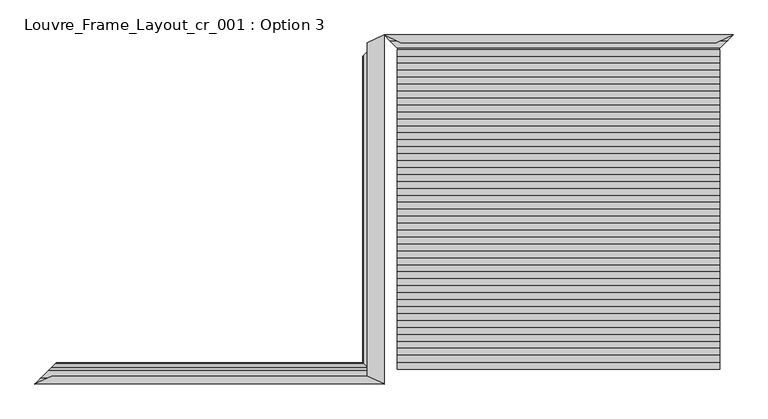
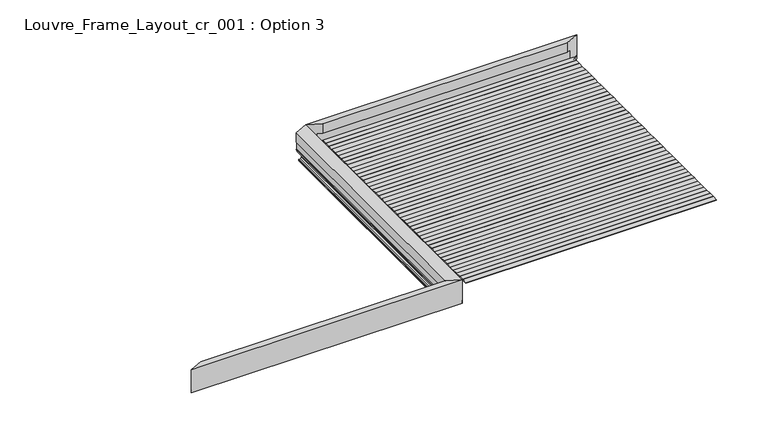
"""IFC4 building model written with IfcOpenShell, lengths in millimetres: proxy geometry, Louvre_Frame_Layout_cr_001 : Option 3."""

from ifc_helpers import new_model, si_unit, frame, origin, place, context, project, spatial, polyline, ellipse_curve, outline, extrude, source, transform, mapped, element, save
from ifc_brep_helpers import plane_surface, cylinder_surface, revolved_surface, advanced_brep


def louvre_frame_layout_cr_001_option_3_17656497(model_context):
    return source(origin(), model_context, "Body", "SolidModel", [
        advanced_brep(
        [(-57.3003291, -1802.6996709, 38.8575344), (0.0, -1860.0, 38.8575344), (0.0, -1860.0, 0.0), (-150.1057157, -1709.8942843, 0.0), (-215.1781305, -1644.8218695, 26.1870213), (-215.1781305, -1644.8218695, 39.3616238), (-214.5111661, -1645.4888339, 40.0285881), (-208.9378388, -1651.0621612, 40.0285881), (-208.2708744, -1651.7291256, 39.3616238), (-208.2708744, -1651.7291256, 25.5580129), (-163.205011, -1696.794989, 7.4266447), (-135.1800041, -1724.8199959, 2.0018958), (-56.9994313, -1803.0005687, 2.0018958), (-51.9945897, -1808.0054103, 7.0067374), (-51.9945897, -1808.0054103, 36.2093165), (-52.5783381, -1807.4216619, 36.793065), (-55.2974109, -1804.7025891, 36.793065), (-3444.7025891, -1804.7025891, 36.793065), (-3447.4216619, -1807.4216619, 36.793065), (-3448.0054103, -1808.0054103, 36.2093165), (-3448.0054103, -1808.0054103, 7.0067374), (-3443.0005687, -1803.0005687, 2.0018958), (-3364.8199959, -1724.8199959, 2.0018958), (-3336.794989, -1696.794989, 7.4266447), (-3291.7291256, -1651.7291256, 25.5580129), (-3291.7291256, -1651.7291256, 39.3616238), (-3291.0621612, -1651.0621612, 40.0285881), (-3285.4888339, -1645.4888339, 40.0285881), (-3284.8218695, -1644.8218695, 39.3616238), (-3284.8218695, -1644.8218695, 26.1870213), (-3349.8942843, -1709.8942843, 0.0), (-3500.0, -1860.0, 0.0), (-3500.0, -1860.0, 38.8575344), (-3442.6996709, -1802.6996709, 38.8575344), (-3330.2950263, -1780.0512704, 316.6276048), (-169.7049737, -1780.0512704, 316.6276048), (-169.7049737, -1780.0512704, 186.7535382), (-3330.2950263, -1780.0512704, 186.7535382), (-110.3674882, -1808.0054103, 186.7535382), (-3389.6325118, -1808.0054103, 186.7535382), (-110.3674882, -1808.0054103, 66.9467725), (-3389.6325118, -1808.0054103, 66.9467725), (-111.6885783, -1807.3830392, 66.3244014), (-3388.3114217, -1807.3830392, 66.3244014), (-117.3778622, -1804.7027935, 66.3244014), (-3382.6221378, -1804.7027935, 66.3244014), (-121.6298357, -1802.6996709, 64.3212787), (-3378.3701643, -1802.6996709, 64.3212787), (-121.6298357, -1802.6996709, 38.7959832), (-3378.3701643, -1802.6996709, 38.7959832), (0.0, -1860.0, 40.0285881), (0.0, -1860.0, 316.6276048), (-3500.0, -1860.0, 316.6276048), (-3500.0, -1860.0, 40.0285881)],
        [
            (0, 1),
            (1, 2),
            (2, 3),
            (3, 4),
            (4, 5),
            (5, 6, ellipse_curve(frame((-214.5111661, -1645.4888339, 39.3616238), z_axis=(0.7071067811864487, 0.7071067811866465, 0.0), x_axis=(0.7071067811866463, -0.7071067811864488, 0.0)), 0.94323, 0.6669644)),
            (6, 7),
            (7, 8, ellipse_curve(frame((-208.9378388, -1651.0621612, 39.3616238), z_axis=(0.7071067811864487, 0.7071067811866465, 0.0), x_axis=(0.7071067811866463, -0.7071067811864488, 0.0)), 0.94323, 0.6669644)),
            (8, 9),
            (9, 10),
            (10, 11, ellipse_curve(frame((-135.1880146, -1724.8119854, 77.0634267), z_axis=(-0.7071067811864487, -0.7071067811866465, 0.0), x_axis=(-0.7071067811866463, 0.7071067811864488, 0.0)), 106.1530357, 75.0615314)),
            (11, 12),
            (12, 13, ellipse_curve(frame((-56.9994313, -1803.0005687, 7.0067374), z_axis=(-0.7071067811864487, -0.7071067811866465, 0.0), x_axis=(-0.7071067811866463, 0.7071067811864488, 0.0)), 7.0779149, 5.0048416)),
            (13, 14),
            (14, 15, ellipse_curve(frame((-52.5783381, -1807.4216619, 36.2093165), z_axis=(-0.7071067811864487, -0.7071067811866465, 0.0), x_axis=(-0.7071067811866463, 0.7071067811864488, 0.0)), 0.825545, 0.5837485)),
            (15, 16),
            (16, 0, ellipse_curve(frame((-55.2974109, -1804.7025891, 38.7959832), z_axis=(0.7071067811864487, 0.7071067811866465, 0.0), x_axis=(0.7071067811866463, -0.7071067811864488, 0.0)), 2.832554, 2.0029182)),
            (17, 18),
            (18, 19, ellipse_curve(frame((-3447.4216619, -1807.4216619, 36.2093165), z_axis=(0.7071067811866565, -0.7071067811864387, 0.0), x_axis=(-0.7071067811864385, -0.7071067811866565, 0.0)), 0.825545, 0.5837485)),
            (19, 20),
            (20, 21, ellipse_curve(frame((-3443.0005687, -1803.0005687, 7.0067374), z_axis=(0.7071067811866565, -0.7071067811864387, 0.0), x_axis=(-0.7071067811864385, -0.7071067811866565, 0.0)), 7.0779149, 5.0048416)),
            (21, 22),
            (22, 23, ellipse_curve(frame((-3364.8119854, -1724.8119854, 77.0634267), z_axis=(0.7071067811866565, -0.7071067811864387, 0.0), x_axis=(-0.7071067811864385, -0.7071067811866565, 0.0)), 106.1530357, 75.0615314)),
            (23, 24),
            (24, 25),
            (25, 26, ellipse_curve(frame((-3291.0621612, -1651.0621612, 39.3616238), z_axis=(-0.7071067811866565, 0.7071067811864387, 0.0), x_axis=(0.7071067811864385, 0.7071067811866565, 0.0)), 0.94323, 0.6669644)),
            (26, 27),
            (27, 28, ellipse_curve(frame((-3285.4888339, -1645.4888339, 39.3616238), z_axis=(-0.7071067811866565, 0.7071067811864387, 0.0), x_axis=(0.7071067811864385, 0.7071067811866565, 0.0)), 0.94323, 0.6669644)),
            (28, 29),
            (29, 30),
            (30, 31),
            (31, 32),
            (32, 33),
            (33, 17, ellipse_curve(frame((-3444.7025891, -1804.7025891, 38.7959832), z_axis=(-0.7071067811866565, 0.7071067811864387, 0.0), x_axis=(0.7071067811864385, 0.7071067811866565, 0.0)), 2.832554, 2.0029182)),
            (34, 35),
            (35, 36),
            (36, 37),
            (37, 34),
            (36, 38),
            (38, 39),
            (39, 37),
            (38, 40),
            (40, 41),
            (41, 39),
            (40, 42, ellipse_curve(frame((-111.6885783, -1807.3830392, 66.9467725), z_axis=(0.42617915109134935, 0.90463878491642, 0.0), x_axis=(-0.9046387849164201, 0.42617915109134935, 0.0)), 1.460351, 0.6223711)),
            (42, 43),
            (43, 41, ellipse_curve(frame((-3388.3114217, -1807.3830392, 66.9467725), z_axis=(-0.42617915109109333, 0.9046387849165407, 0.0), x_axis=(-0.9046387849165406, -0.42617915109109333, 0.0)), 1.460351, 0.6223711)),
            (42, 44),
            (44, 45),
            (45, 43),
            (44, 46, ellipse_curve(frame((-117.3778622, -1804.7027935, 64.3212787), z_axis=(-0.42617915109134935, -0.90463878491642, 0.0), x_axis=(0.9046387849164201, -0.42617915109134935, 0.0)), 4.7001892, 2.0031227)),
            (46, 47),
            (47, 45, ellipse_curve(frame((-3382.6221378, -1804.7027935, 64.3212787), z_axis=(0.42617915109109333, -0.9046387849165407, 0.0), x_axis=(0.9046387849165406, 0.42617915109109333, 0.0)), 4.7001892, 2.0031227)),
            (46, 48),
            (48, 49),
            (49, 47),
            (16, 17),
            (33, 49),
            (48, 0),
            (15, 18),
            (14, 19),
            (13, 20),
            (12, 21),
            (11, 22),
            (10, 23),
            (9, 24),
            (8, 25),
            (7, 26),
            (6, 27),
            (5, 28),
            (4, 29),
            (3, 30),
            (2, 31),
            (1, 50),
            (50, 51),
            (51, 52),
            (52, 53),
            (53, 32),
            (51, 35),
            (34, 52),
            (32, 49),
            (48, 1),
        ],
        [
            plane_surface(frame((0.0, -1860.0, 40.0285881), z_axis=(0.7071067811864487, 0.7071067811866465, 0.0), x_axis=(0.0, 0.0, -1.0))),
            plane_surface(frame((-3241.9060249, -1601.9060249, 40.0285881), z_axis=(-0.7071067811866565, 0.7071067811864387, 0.0), x_axis=(0.0, 0.0, -1.0))),
            plane_surface(frame((0.0, -1780.0512704, 316.6276048), z_axis=(0.0, 1.0, 0.0), x_axis=(-1.0, 0.0, 0.0))),
            plane_surface(frame((0.0, -1780.0512704, 186.7535382), z_axis=(0.0, 0.0, -1.0), x_axis=(-1.0, 0.0, 0.0))),
            plane_surface(frame((0.0, -1808.0054103, 186.7535382), z_axis=(0.0, 1.0, 0.0), x_axis=(-1.0, 0.0, 0.0))),
            revolved_surface(polyline([(-3389.6325118541918, -1806.7606681, 66.9467725), (-110.36748814580852, -1806.7606681, 66.9467725)]), (0.0, -1807.3830392, 66.9467725), (-1.0, 0.0, 0.0)),
            plane_surface(frame((0.0, -1807.3830392, 66.3244014), z_axis=(0.0, 0.0, 1.0), x_axis=(-1.0, 0.0, 0.0))),
            cylinder_surface(frame((0.0, -1804.7027935, 64.3212787), z_axis=(1.0, 0.0, 0.0), x_axis=(0.0, 1.0, 0.0)), 2.0031227),
            plane_surface(frame((0.0, -1802.6996709, 64.3212787), z_axis=(0.0, 1.0, 0.0), x_axis=(-1.0, 0.0, 0.0))),
            cylinder_surface(frame((0.0, -1804.7025891, 38.7959832), z_axis=(1.0, 0.0, 0.0), x_axis=(0.0, 1.0, 0.0)), 2.0029182),
            plane_surface(frame((0.0, -1804.7025891, 36.793065), z_axis=(0.0, 0.0, -1.0), x_axis=(-1.0, 0.0, 0.0))),
            revolved_surface(polyline([(-3448.0054103676744, -1806.8379134, 36.2093165), (-51.99458963232527, -1806.8379134, 36.2093165)]), (0.0, -1807.4216619, 36.2093165), (-1.0, 0.0, 0.0)),
            plane_surface(frame((0.0, -1808.0054103, 36.2093165), z_axis=(0.0, 1.0, 0.0), x_axis=(-1.0, 0.0, 0.0))),
            revolved_surface(polyline([(-3448.00541032245, -1797.9957271, 7.0067374), (-51.99458967754799, -1797.9957271, 7.0067374)]), (0.0, -1803.0005687, 7.0067374), (-1.0, 0.0, 0.0)),
            plane_surface(frame((0.0, -1803.0005687, 2.0018958), z_axis=(0.0, 0.0, 1.0), x_axis=(-1.0, 0.0, 0.0))),
            revolved_surface(polyline([(-3439.8735167869963, -1649.750454, 77.0634267), (-60.12648321298185, -1649.750454, 77.0634267)]), (0.0, -1724.8119854, 77.0634267), (-1.0, 0.0, 0.0)),
            plane_surface(frame((0.0, -1696.794989, 7.4266447), z_axis=(0.0, -0.37325372835204085, 0.9277293001039155), x_axis=(-1.0, 0.0, 0.0))),
            plane_surface(frame((0.0, -1651.7291256, 25.5580129), z_axis=(0.0, -1.0, 0.0), x_axis=(-1.0, 0.0, 0.0))),
            cylinder_surface(frame((0.0, -1651.0621612, 39.3616238), z_axis=(1.0, 0.0, 0.0), x_axis=(0.0, 1.0, 0.0)), 0.6669644),
            plane_surface(frame((0.0, -1651.0621612, 40.0285881), z_axis=(0.0, 0.0, 1.0), x_axis=(-1.0, 0.0, 0.0))),
            cylinder_surface(frame((0.0, -1645.4888339, 39.3616238), z_axis=(1.0, 0.0, 0.0), x_axis=(0.0, -1.0, 0.0)), 0.6669644),
            plane_surface(frame((0.0, -1644.8218695, 39.3616238), z_axis=(0.0, 1.0, 0.0), x_axis=(-1.0, 0.0, 0.0))),
            plane_surface(frame((0.0, -1644.8218695, 26.1870213), z_axis=(0.0, 0.3733323631651337, -0.927697659053604), x_axis=(-1.0, 0.0, 0.0))),
            plane_surface(frame((0.0, -1709.8942843, 0.0), z_axis=(0.0, 0.0, -1.0), x_axis=(-1.0, 0.0, 0.0))),
            plane_surface(frame((0.0, -1860.0, 0.0), z_axis=(0.0, -1.0, 0.0), x_axis=(-1.0, 0.0, 0.0))),
            plane_surface(frame((0.0, -1860.0, 316.6276048), z_axis=(0.0, 0.0, 1.0), x_axis=(-1.0, 0.0, 0.0))),
            plane_surface(frame((-3500.0, -1860.0, 38.8575344), z_axis=(0.0, 0.0, 1.0), x_axis=(0.9046387849165407, 0.42617915109109333, 0.0))),
            plane_surface(frame((-3330.2950263, -1780.0512704, 398.4370867), z_axis=(-0.42617915109109333, 0.9046387849165407, 0.0), x_axis=(0.0, 0.0, -1.0))),
            plane_surface(frame((0.0, -1780.0512704, 38.8575344), z_axis=(0.0, 0.0, 1.0), x_axis=(-1.0, 0.0, 0.0))),
            plane_surface(frame((0.0, -1860.0, 398.4370867), z_axis=(0.42617915109134935, 0.90463878491642, 0.0), x_axis=(0.0, 0.0, -1.0))),
        ],
        [
            (0, [[1, 2, 3, 4, 5, 6, 7, 8, 9, 10, 11, 12, 13, 14, 15, 16, 17]]),
            (1, [[18, 19, 20, 21, 22, 23, 24, 25, 26, 27, 28, 29, 30, 31, 32, 33, 34]]),
            (2, [[35, 36, 37, 38]]),
            (3, [[-37, 39, 40, 41]]),
            (4, [[-40, 42, 43, 44]]),
            (5, [[-43, 45, 46, 47]]),
            (6, [[-46, 48, 49, 50]]),
            (7, [[-49, 51, 52, 53]]),
            (8, [[-52, 54, 55, 56]]),
            (9, [[57, -34, 58, -55, 59, -17]]),
            (10, [[60, -18, -57, -16]]),
            (11, [[61, -19, -60, -15]]),
            (12, [[62, -20, -61, -14]]),
            (13, [[63, -21, -62, -13]]),
            (14, [[64, -22, -63, -12]]),
            (15, [[65, -23, -64, -11]]),
            (16, [[66, -24, -65, -10]]),
            (17, [[67, -25, -66, -9]]),
            (18, [[68, -26, -67, -8]]),
            (19, [[69, -27, -68, -7]]),
            (20, [[70, -28, -69, -6]]),
            (21, [[71, -29, -70, -5]]),
            (22, [[72, -30, -71, -4]]),
            (23, [[-31, -72, -3, 73]]),
            (24, [[-2, 74, 75, 76, 77, 78, -32, -73]]),
            (25, [[79, -35, 80, -76]]),
            (26, [[-58, -33, 81]]),
            (27, [[-78, -77, -80, -38, -41, -44, -47, -50, -53, -56, -81]]),
            (28, [[-1, -59, 82]]),
            (29, [[-54, -51, -48, -45, -42, -39, -36, -79, -75, -74, -82]]),
        ],
    ),
        advanced_brep(
        [(-145.2950918, -1714.7049082, 40.0285881), (-142.500644, -1717.499356, 38.8575344), (-64.3578923, -1795.6421077, 38.8575344), (-62.7201461, -1797.2798539, 37.2197882), (-62.7201461, -1797.2798539, 30.0771301), (-51.9945897, -1808.0054103, 30.0771301), (-51.9945897, -1808.0054103, 7.0067374), (-56.9994313, -1803.0005687, 2.0018958), (-135.1800041, -1724.8199959, 2.0018958), (-163.205011, -1696.794989, 7.4266447), (-208.2708744, -1651.7291256, 25.5580129), (-208.2708744, -1651.7291256, 39.3616238), (-208.9378388, -1651.0621612, 40.0285881), (-214.5111661, -1645.4888339, 40.0285881), (-215.1781305, -1644.8218695, 39.3616238), (-215.1781305, -1644.8218695, 26.5150991), (-214.6113147, -1645.3886853, 25.9589183), (-150.1057157, -1709.8942843, 0.0), (0.0, -1860.0, 0.0), (0.0, -1860.0, 36.793065), (0.0, -1860.0, 40.0285881), (0.0, 1640.0, 40.0285881), (0.0, 1640.0, 36.793065), (0.0, 1640.0, 0.0), (-150.1057157, 1489.9379038, 0.0), (-214.6113147, 1425.4510496, 25.9589183), (-215.1781305, 1424.8843985, 26.5150991), (-215.1781305, 1424.8843985, 39.3616238), (-214.5111661, 1425.5511691, 40.0285881), (-208.9378388, 1431.1228768, 40.0285881), (-208.2708744, 1431.7896474, 39.3616238), (-208.2708744, 1431.7896474, 25.5580129), (-163.205011, 1476.842415, 7.4266447), (-135.1800041, 1504.8592781, 2.0018958), (-56.9994313, 1583.0171323, 2.0018958), (-51.9945897, 1588.0205195, 7.0067374), (-51.9945897, 1588.0205195, 30.0771301), (-62.7201461, 1577.2980799, 30.0771301), (-62.7201461, 1577.2980799, 37.2197882), (-64.3578923, 1575.6608096, 38.8575344), (-142.500644, 1497.5407655, 38.8575344), (-145.2950918, 1494.7471297, 40.0285881), (-145.2950918, -1791.5508688, 40.0285881), (-145.2950918, 1571.5508688, 40.0285881), (0.0, 1640.0, 315.1230176), (-169.7049737, 1560.0512704, 315.1230176), (-169.7049737, -1780.0512704, 315.1230176), (0.0, -1860.0, 315.1230176), (-147.9326449, -1790.3083064, 42.7736155), (-147.9326449, 1570.3083064, 42.7736155), (-169.6981451, -1780.0544873, 79.2796958), (-169.6981451, 1560.0544873, 79.2796958), (-169.6981451, -1780.0544873, 88.3970766), (-169.6981451, 1560.0544873, 88.3970766), (-163.2806322, -1783.0778048, 88.3970766), (-163.2806322, 1563.0778048, 88.3970766), (-163.2806322, -1783.0778048, 186.2985422), (-163.2806322, 1563.0778048, 186.2985422), (-169.7049737, -1780.0512704, 186.2985422), (-169.7049737, 1560.0512704, 186.2985422)],
        [
            (0, 1, ellipse_curve(frame((-140.6934069, -1719.3065931, 47.0897633), z_axis=(-0.7071067811865105, -0.7071067811865845, 0.0), x_axis=(0.7071067811865845, -0.7071067811865106, 0.0)), 11.9193707, 8.4282679)),
            (1, 2),
            (2, 3, ellipse_curve(frame((-64.3578923, -1795.6421077, 37.2197882), z_axis=(0.7071067811865105, 0.7071067811865845, 0.0), x_axis=(-0.7071067811865845, 0.7071067811865106, 0.0)), 2.3161229, 1.6377462)),
            (3, 4),
            (4, 5),
            (5, 6),
            (6, 7, ellipse_curve(frame((-56.9994313, -1803.0005687, 7.0067374), z_axis=(0.7071067811865105, 0.7071067811865845, 0.0), x_axis=(-0.7071067811865845, 0.7071067811865106, 0.0)), 7.0779149, 5.0048416)),
            (7, 8),
            (8, 9, ellipse_curve(frame((-135.1880146, -1724.8119854, 77.0634267), z_axis=(0.7071067811865105, 0.7071067811865845, 0.0), x_axis=(-0.7071067811865845, 0.7071067811865106, 0.0)), 106.1530357, 75.0615314)),
            (9, 10),
            (10, 11),
            (11, 12, ellipse_curve(frame((-208.9378388, -1651.0621612, 39.3616238), z_axis=(-0.7071067811865105, -0.7071067811865845, 0.0), x_axis=(0.7071067811865845, -0.7071067811865106, 0.0)), 0.94323, 0.6669644)),
            (12, 13),
            (13, 14, ellipse_curve(frame((-214.5111661, -1645.4888339, 39.3616238), z_axis=(-0.7071067811865105, -0.7071067811865845, 0.0), x_axis=(0.7071067811865845, -0.7071067811865106, 0.0)), 0.94323, 0.6669644)),
            (14, 15),
            (15, 16, ellipse_curve(frame((-214.2245487, -1645.7754513, 26.9199973), z_axis=(-0.7071067811865105, -0.7071067811865845, 0.0), x_axis=(0.7071067811865845, -0.7071067811865106, 0.0)), 1.4651013, 1.035983)),
            (16, 17),
            (17, 18),
            (18, 19),
            (19, 20),
            (20, 0),
            (21, 22),
            (22, 23),
            (23, 24),
            (24, 25),
            (25, 26, ellipse_curve(frame((-214.2245487, 1425.8377032, 26.9199973), z_axis=(-0.707004019078356, 0.7072095283627419, 0.0), x_axis=(-0.7072095283627419, -0.7070040190783559, 0.0)), 1.4648884, 1.035983)),
            (26, 27),
            (27, 28, ellipse_curve(frame((-214.5111661, 1425.5511691, 39.3616238), z_axis=(-0.707004019078356, 0.7072095283627419, 0.0), x_axis=(-0.7072095283627419, -0.7070040190783559, 0.0)), 0.943093, 0.6669644)),
            (28, 29),
            (29, 30, ellipse_curve(frame((-208.9378388, 1431.1228768, 39.3616238), z_axis=(-0.707004019078356, 0.7072095283627419, 0.0), x_axis=(-0.7072095283627419, -0.7070040190783559, 0.0)), 0.943093, 0.6669644)),
            (30, 31),
            (31, 32),
            (32, 33, ellipse_curve(frame((-135.1880146, 1504.85127, 77.0634267), z_axis=(0.707004019078356, -0.7072095283627419, 0.0), x_axis=(0.7072095283627419, 0.7070040190783559, 0.0)), 106.1376132, 75.0615314)),
            (33, 34),
            (34, 35, ellipse_curve(frame((-56.9994313, 1583.0171323, 7.0067374), z_axis=(0.707004019078356, -0.7072095283627419, 0.0), x_axis=(0.7072095283627419, 0.7070040190783559, 0.0)), 7.0768866, 5.0048416)),
            (35, 36),
            (36, 37),
            (37, 38),
            (38, 39, ellipse_curve(frame((-64.3578923, 1575.6608096, 37.2197882), z_axis=(0.707004019078356, -0.7072095283627419, 0.0), x_axis=(0.7072095283627419, 0.7070040190783559, 0.0)), 2.3157864, 1.6377462)),
            (39, 40),
            (40, 41, ellipse_curve(frame((-140.6934069, 1499.3474774, 47.0897633), z_axis=(-0.707004019078356, 0.7072095283627419, 0.0), x_axis=(-0.7072095283627419, -0.7070040190783559, 0.0)), 11.917639, 8.4282679)),
            (41, 21),
            (20, 42),
            (42, 0),
            (41, 43),
            (43, 21),
            (44, 45),
            (45, 46),
            (46, 47),
            (47, 44),
            (47, 20),
            (18, 23),
            (21, 44),
            (17, 24),
            (16, 25),
            (15, 26),
            (14, 27),
            (13, 28),
            (12, 29),
            (11, 30),
            (10, 31),
            (9, 32),
            (8, 33),
            (7, 34),
            (6, 35),
            (5, 36),
            (4, 37),
            (3, 38),
            (2, 39),
            (1, 40),
            (42, 48, ellipse_curve(frame((-140.6934069, -1793.718742, 47.0897633), z_axis=(0.42617915109134047, 0.9046387849164242, 0.0), x_axis=(0.9046387849164244, -0.4261791510913402, 0.0)), 9.3167218, 8.4282679)),
            (48, 49),
            (49, 43, ellipse_curve(frame((-140.6934069, 1573.718742, 47.0897633), z_axis=(0.4261791510912675, -0.9046387849164587, 0.0), x_axis=(-0.9046387849164589, -0.4261791510912672, 0.0)), 9.3167218, 8.4282679)),
            (50, 51),
            (51, 49),
            (48, 50),
            (52, 53),
            (53, 51),
            (50, 52),
            (54, 55),
            (55, 53),
            (52, 54),
            (56, 57),
            (57, 55),
            (54, 56),
            (58, 59),
            (59, 57),
            (56, 58),
            (45, 59),
            (58, 46),
        ],
        [
            plane_surface(frame((-215.1781305, -1644.8218695, 40.0285881), z_axis=(-0.7071067811865105, -0.7071067811865845, 0.0), x_axis=(0.0, 0.0, -1.0))),
            plane_surface(frame((0.0, 1640.0, 40.0285881), z_axis=(-0.707004019078356, 0.7072095283627419, 0.0), x_axis=(0.0, 0.0, -1.0))),
            plane_surface(frame((0.0, -1860.0, 40.0285881), z_axis=(0.0, 0.0, -1.0), x_axis=(0.7071067811865845, -0.7071067811865105, 0.0))),
            plane_surface(frame((-258.0939751, 1381.9810249, 40.0285881), z_axis=(0.0, 0.0, -1.0), x_axis=(0.0, 1.0, 0.0))),
            plane_surface(frame((-169.7049737, -1860.0, 315.1230176), z_axis=(0.0, 0.0, 1.0), x_axis=(0.0, 1.0, 0.0))),
            plane_surface(frame((0.0, -1860.0, 315.1230176), z_axis=(1.0, 0.0, 0.0), x_axis=(0.0, 1.0, 0.0))),
            plane_surface(frame((0.0, -1860.0, 0.0), z_axis=(0.0, 0.0, -1.0), x_axis=(0.0, 1.0, 0.0))),
            plane_surface(frame((-150.1057157, -1860.0, 0.0), z_axis=(-0.3733323631651337, 0.0, -0.9276976590536039), x_axis=(0.0, 1.0, 0.0))),
            cylinder_surface(frame((-214.2245487, -1860.0, 26.9199973), z_axis=(0.0, -1.0, 0.0), x_axis=(-1.0, 0.0, 0.0)), 1.035983),
            plane_surface(frame((-215.1781305, -1860.0, 26.5150991), z_axis=(-1.0, 0.0, 0.0), x_axis=(0.0, 1.0, 0.0))),
            cylinder_surface(frame((-214.5111661, -1860.0, 39.3616238), z_axis=(0.0, -1.0, 0.0), x_axis=(1.0, 0.0, 0.0)), 0.6669644),
            plane_surface(frame((-214.5111661, -1860.0, 40.0285881), z_axis=(0.0, 0.0, 1.0), x_axis=(0.0, 1.0, 0.0))),
            cylinder_surface(frame((-208.9378388, -1860.0, 39.3616238), z_axis=(0.0, -1.0, 0.0), x_axis=(-1.0, 0.0, 0.0)), 0.6669644),
            plane_surface(frame((-208.2708744, -1860.0, 39.3616238), z_axis=(1.0, 0.0, 0.0), x_axis=(0.0, 1.0, 0.0))),
            plane_surface(frame((-208.2708744, -1860.0, 25.5580129), z_axis=(0.37325372835204107, 0.0, 0.9277293001039154), x_axis=(0.0, 1.0, 0.0))),
            revolved_surface(polyline([(-210.249546, 1579.8909891077842, 77.0634267), (-210.249546, -1799.8735167870036, 77.0634267)]), (-135.1880146, -1860.0, 77.0634267), (0.0, 1.0, 0.0)),
            plane_surface(frame((-135.1800041, -1860.0, 2.0018958), z_axis=(0.0, 0.0, 1.0), x_axis=(0.0, 1.0, 0.0))),
            revolved_surface(polyline([(-62.0042729, 1588.0205195687618, 7.0067374), (-62.0042729, -1808.005410322451, 7.0067374)]), (-56.9994313, -1860.0, 7.0067374), (0.0, 1.0, 0.0)),
            plane_surface(frame((-51.9945897, -1860.0, 7.0067374), z_axis=(-1.0, 0.0, 0.0), x_axis=(0.0, 1.0, 0.0))),
            plane_surface(frame((-51.9945897, -1860.0, 30.0771301), z_axis=(0.0, 0.0, -1.0), x_axis=(0.0, 1.0, 0.0))),
            plane_surface(frame((-62.7201461, -1860.0, 30.0771301), z_axis=(-1.0, 0.0, 0.0), x_axis=(0.0, 1.0, 0.0))),
            revolved_surface(polyline([(-65.9956385, 1577.2980798999997, 37.2197882), (-65.9956385, -1797.2798539086514, 37.2197882)]), (-64.3578923, -1860.0, 37.2197882), (0.0, 1.0, 0.0)),
            plane_surface(frame((-64.3578923, -1860.0, 38.8575344), z_axis=(0.0, 0.0, -1.0), x_axis=(0.0, 1.0, 0.0))),
            cylinder_surface(frame((-140.6934069, -1860.0, 47.0897633), z_axis=(0.0, -1.0, 0.0), x_axis=(-1.0, 0.0, 0.0)), 8.4282679),
            plane_surface(frame((-147.9326449, -1860.0, 42.7736155), z_axis=(-0.8589235852565517, 0.0, -0.5121037733604697), x_axis=(0.0, 1.0, 0.0))),
            plane_surface(frame((-169.6981451, -1860.0, 79.2796958), z_axis=(-1.0, 0.0, 0.0), x_axis=(0.0, 1.0, 0.0))),
            plane_surface(frame((-169.6981451, -1860.0, 88.3970766), z_axis=(0.0, 0.0, 1.0), x_axis=(0.0, 1.0, 0.0))),
            plane_surface(frame((-163.2806322, -1860.0, 88.3970766), z_axis=(-1.0, 0.0, 0.0), x_axis=(0.0, 1.0, 0.0))),
            plane_surface(frame((-163.2806322, -1860.0, 186.2985422), z_axis=(0.0, 0.0, -1.0), x_axis=(0.0, 1.0, 0.0))),
            plane_surface(frame((-169.7049737, -1860.0, 186.2985422), z_axis=(-1.0, 0.0, 0.0), x_axis=(0.0, 1.0, 0.0))),
            plane_surface(frame((-169.7049737, -1780.0512704, 355.5911694), z_axis=(-0.42617915109134047, -0.9046387849164242, 0.0), x_axis=(0.0, 0.0, -1.0))),
            plane_surface(frame((0.0, 1640.0, 355.5911694), z_axis=(-0.4261791510912675, 0.9046387849164587, 0.0), x_axis=(0.0, 0.0, -1.0))),
        ],
        [
            (0, [[1, 2, 3, 4, 5, 6, 7, 8, 9, 10, 11, 12, 13, 14, 15, 16, 17, 18, 19, 20, 21]]),
            (1, [[22, 23, 24, 25, 26, 27, 28, 29, 30, 31, 32, 33, 34, 35, 36, 37, 38, 39, 40, 41, 42]]),
            (2, [[43, 44, -21]]),
            (3, [[45, 46, -42]]),
            (4, [[47, 48, 49, 50]]),
            (5, [[51, -20, -19, 52, -23, -22, 53, -50]]),
            (6, [[-18, 54, -24, -52]]),
            (7, [[55, -25, -54, -17]]),
            (8, [[56, -26, -55, -16]]),
            (9, [[57, -27, -56, -15]]),
            (10, [[58, -28, -57, -14]]),
            (11, [[59, -29, -58, -13]]),
            (12, [[60, -30, -59, -12]]),
            (13, [[61, -31, -60, -11]]),
            (14, [[62, -32, -61, -10]]),
            (15, [[63, -33, -62, -9]]),
            (16, [[64, -34, -63, -8]]),
            (17, [[65, -35, -64, -7]]),
            (18, [[66, -36, -65, -6]]),
            (19, [[67, -37, -66, -5]]),
            (20, [[68, -38, -67, -4]]),
            (21, [[69, -39, -68, -3]]),
            (22, [[70, -40, -69, -2]]),
            (23, [[-44, 71, 72, 73, -45, -41, -70, -1]]),
            (24, [[74, 75, -72, 76]]),
            (25, [[77, 78, -74, 79]]),
            (26, [[80, 81, -77, 82]]),
            (27, [[83, 84, -80, 85]]),
            (28, [[86, 87, -83, 88]]),
            (29, [[-48, 89, -86, 90]]),
            (30, [[-90, -88, -85, -82, -79, -76, -71, -43, -51, -49]]),
            (31, [[-53, -46, -73, -75, -78, -81, -84, -87, -89, -47]]),
        ],
    ),
        extrude(outline(polyline([(3368.0, -1573.3111111), (3368.0, -1643.3111111), (132.0, -1643.3111111), (132.0, -1573.3111111), (3368.0, -1573.3111111)])), frame((0.0, 0.0, 136.6041163), z_axis=(0.0, 0.0, 1.0), x_axis=(1.0, 0.0, 0.0)), (0.0, 0.0, 1.0), 10.0),
        extrude(outline(polyline([(3368.0, -1503.6222222), (3368.0, -1573.6222222), (132.0, -1573.6222222), (132.0, -1503.6222222), (3368.0, -1503.6222222)])), frame((0.0, 0.0, 136.6041163), z_axis=(0.0, 0.0, 1.0), x_axis=(1.0, 0.0, 0.0)), (0.0, 0.0, 1.0), 10.0),
        extrude(outline(polyline([(3368.0, -1433.9333333), (3368.0, -1503.9333333), (132.0, -1503.9333333), (132.0, -1433.9333333), (3368.0, -1433.9333333)])), frame((0.0, 0.0, 136.6041163), z_axis=(0.0, 0.0, 1.0), x_axis=(1.0, 0.0, 0.0)), (0.0, 0.0, 1.0), 10.0),
        extrude(outline(polyline([(3368.0, -1364.2444444), (3368.0, -1434.2444444), (132.0, -1434.2444444), (132.0, -1364.2444444), (3368.0, -1364.2444444)])), frame((0.0, 0.0, 136.6041163), z_axis=(0.0, 0.0, 1.0), x_axis=(1.0, 0.0, 0.0)), (0.0, 0.0, 1.0), 10.0),
        extrude(outline(polyline([(3368.0, -1294.5555556), (3368.0, -1364.5555556), (132.0, -1364.5555556), (132.0, -1294.5555556), (3368.0, -1294.5555556)])), frame((0.0, 0.0, 136.6041163), z_axis=(0.0, 0.0, 1.0), x_axis=(1.0, 0.0, 0.0)), (0.0, 0.0, 1.0), 10.0),
        extrude(outline(polyline([(3368.0, -1224.8666667), (3368.0, -1294.8666667), (132.0, -1294.8666667), (132.0, -1224.8666667), (3368.0, -1224.8666667)])), frame((0.0, 0.0, 136.6041163), z_axis=(0.0, 0.0, 1.0), x_axis=(1.0, 0.0, 0.0)), (0.0, 0.0, 1.0), 10.0),
        extrude(outline(polyline([(3368.0, -1155.1777778), (3368.0, -1225.1777778), (132.0, -1225.1777778), (132.0, -1155.1777778), (3368.0, -1155.1777778)])), frame((0.0, 0.0, 136.6041163), z_axis=(0.0, 0.0, 1.0), x_axis=(1.0, 0.0, 0.0)), (0.0, 0.0, 1.0), 10.0),
        extrude(outline(polyline([(3368.0, -1085.4888889), (3368.0, -1155.4888889), (132.0, -1155.4888889), (132.0, -1085.4888889), (3368.0, -1085.4888889)])), frame((0.0, 0.0, 136.6041163), z_axis=(0.0, 0.0, 1.0), x_axis=(1.0, 0.0, 0.0)), (0.0, 0.0, 1.0), 10.0),
        extrude(outline(polyline([(3368.0, -1015.8), (3368.0, -1085.8), (132.0, -1085.8), (132.0, -1015.8), (3368.0, -1015.8)])), frame((0.0, 0.0, 136.6041163), z_axis=(0.0, 0.0, 1.0), x_axis=(1.0, 0.0, 0.0)), (0.0, 0.0, 1.0), 10.0),
        extrude(outline(polyline([(3368.0, -946.1111111), (3368.0, -1016.1111111), (132.0, -1016.1111111), (132.0, -946.1111111), (3368.0, -946.1111111)])), frame((0.0, 0.0, 136.6041163), z_axis=(0.0, 0.0, 1.0), x_axis=(1.0, 0.0, 0.0)), (0.0, 0.0, 1.0), 10.0),
        extrude(outline(polyline([(3368.0, -876.4222222), (3368.0, -946.4222222), (132.0, -946.4222222), (132.0, -876.4222222), (3368.0, -876.4222222)])), frame((0.0, 0.0, 136.6041163), z_axis=(0.0, 0.0, 1.0), x_axis=(1.0, 0.0, 0.0)), (0.0, 0.0, 1.0), 10.0),
        extrude(outline(polyline([(3368.0, -806.7333333), (3368.0, -876.7333333), (132.0, -876.7333333), (132.0, -806.7333333), (3368.0, -806.7333333)])), frame((0.0, 0.0, 136.6041163), z_axis=(0.0, 0.0, 1.0), x_axis=(1.0, 0.0, 0.0)), (0.0, 0.0, 1.0), 10.0),
        extrude(outline(polyline([(3368.0, -737.0444444), (3368.0, -807.0444444), (132.0, -807.0444444), (132.0, -737.0444444), (3368.0, -737.0444444)])), frame((0.0, 0.0, 136.6041163), z_axis=(0.0, 0.0, 1.0), x_axis=(1.0, 0.0, 0.0)), (0.0, 0.0, 1.0), 10.0),
        extrude(outline(polyline([(3368.0, -667.3555556), (3368.0, -737.3555556), (132.0, -737.3555556), (132.0, -667.3555556), (3368.0, -667.3555556)])), frame((0.0, 0.0, 136.6041163), z_axis=(0.0, 0.0, 1.0), x_axis=(1.0, 0.0, 0.0)), (0.0, 0.0, 1.0), 10.0),
        extrude(outline(polyline([(3368.0, -597.6666667), (3368.0, -667.6666667), (132.0, -667.6666667), (132.0, -597.6666667), (3368.0, -597.6666667)])), frame((0.0, 0.0, 136.6041163), z_axis=(0.0, 0.0, 1.0), x_axis=(1.0, 0.0, 0.0)), (0.0, 0.0, 1.0), 10.0),
        extrude(outline(polyline([(3368.0, -527.9777778), (3368.0, -597.9777778), (132.0, -597.9777778), (132.0, -527.9777778), (3368.0, -527.9777778)])), frame((0.0, 0.0, 136.6041163), z_axis=(0.0, 0.0, 1.0), x_axis=(1.0, 0.0, 0.0)), (0.0, 0.0, 1.0), 10.0),
        extrude(outline(polyline([(3368.0, -458.2888889), (3368.0, -528.2888889), (132.0, -528.2888889), (132.0, -458.2888889), (3368.0, -458.2888889)])), frame((0.0, 0.0, 136.6041163), z_axis=(0.0, 0.0, 1.0), x_axis=(1.0, 0.0, 0.0)), (0.0, 0.0, 1.0), 10.0),
        extrude(outline(polyline([(3368.0, -388.6), (3368.0, -458.6), (132.0, -458.6), (132.0, -388.6), (3368.0, -388.6)])), frame((0.0, 0.0, 136.6041163), z_axis=(0.0, 0.0, 1.0), x_axis=(1.0, 0.0, 0.0)), (0.0, 0.0, 1.0), 10.0),
        extrude(outline(polyline([(3368.0, -318.9111111), (3368.0, -388.9111111), (132.0, -388.9111111), (132.0, -318.9111111), (3368.0, -318.9111111)])), frame((0.0, 0.0, 136.6041163), z_axis=(0.0, 0.0, 1.0), x_axis=(1.0, 0.0, 0.0)), (0.0, 0.0, 1.0), 10.0),
        extrude(outline(polyline([(3368.0, -249.2222222), (3368.0, -319.2222222), (132.0, -319.2222222), (132.0, -249.2222222), (3368.0, -249.2222222)])), frame((0.0, 0.0, 136.6041163), z_axis=(0.0, 0.0, 1.0), x_axis=(1.0, 0.0, 0.0)), (0.0, 0.0, 1.0), 10.0),
        extrude(outline(polyline([(3368.0, -179.5333333), (3368.0, -249.5333333), (132.0, -249.5333333), (132.0, -179.5333333), (3368.0, -179.5333333)])), frame((0.0, 0.0, 136.6041163), z_axis=(0.0, 0.0, 1.0), x_axis=(1.0, 0.0, 0.0)), (0.0, 0.0, 1.0), 10.0),
        extrude(outline(polyline([(3368.0, -109.8444444), (3368.0, -179.8444444), (132.0, -179.8444444), (132.0, -109.8444444), (3368.0, -109.8444444)])), frame((0.0, 0.0, 136.6041163), z_axis=(0.0, 0.0, 1.0), x_axis=(1.0, 0.0, 0.0)), (0.0, 0.0, 1.0), 10.0),
        extrude(outline(polyline([(3368.0, -40.1555556), (3368.0, -110.1555556), (132.0, -110.1555556), (132.0, -40.1555556), (3368.0, -40.1555556)])), frame((0.0, 0.0, 136.6041163), z_axis=(0.0, 0.0, 1.0), x_axis=(1.0, 0.0, 0.0)), (0.0, 0.0, 1.0), 10.0),
        extrude(outline(polyline([(3368.0, 29.5333333), (3368.0, -40.4666667), (132.0, -40.4666667), (132.0, 29.5333333), (3368.0, 29.5333333)])), frame((0.0, 0.0, 136.6041163), z_axis=(0.0, 0.0, 1.0), x_axis=(1.0, 0.0, 0.0)), (0.0, 0.0, 1.0), 10.0),
        extrude(outline(polyline([(3368.0, 99.2222222), (3368.0, 29.2222222), (132.0, 29.2222222), (132.0, 99.2222222), (3368.0, 99.2222222)])), frame((0.0, 0.0, 136.6041163), z_axis=(0.0, 0.0, 1.0), x_axis=(1.0, 0.0, 0.0)), (0.0, 0.0, 1.0), 10.0),
        extrude(outline(polyline([(3368.0, 168.9111111), (3368.0, 98.9111111), (132.0, 98.9111111), (132.0, 168.9111111), (3368.0, 168.9111111)])), frame((0.0, 0.0, 136.6041163), z_axis=(0.0, 0.0, 1.0), x_axis=(1.0, 0.0, 0.0)), (0.0, 0.0, 1.0), 10.0),
        extrude(outline(polyline([(3368.0, 238.6), (3368.0, 168.6), (132.0, 168.6), (132.0, 238.6), (3368.0, 238.6)])), frame((0.0, 0.0, 136.6041163), z_axis=(0.0, 0.0, 1.0), x_axis=(1.0, 0.0, 0.0)), (0.0, 0.0, 1.0), 10.0),
        extrude(outline(polyline([(3368.0, 308.2888889), (3368.0, 238.2888889), (132.0, 238.2888889), (132.0, 308.2888889), (3368.0, 308.2888889)])), frame((0.0, 0.0, 136.6041163), z_axis=(0.0, 0.0, 1.0), x_axis=(1.0, 0.0, 0.0)), (0.0, 0.0, 1.0), 10.0),
        extrude(outline(polyline([(3368.0, 377.9777778), (3368.0, 307.9777778), (132.0, 307.9777778), (132.0, 377.9777778), (3368.0, 377.9777778)])), frame((0.0, 0.0, 136.6041163), z_axis=(0.0, 0.0, 1.0), x_axis=(1.0, 0.0, 0.0)), (0.0, 0.0, 1.0), 10.0),
        extrude(outline(polyline([(3368.0, 447.6666667), (3368.0, 377.6666667), (132.0, 377.6666667), (132.0, 447.6666667), (3368.0, 447.6666667)])), frame((0.0, 0.0, 136.6041163), z_axis=(0.0, 0.0, 1.0), x_axis=(1.0, 0.0, 0.0)), (0.0, 0.0, 1.0), 10.0),
        extrude(outline(polyline([(3368.0, 517.3555556), (3368.0, 447.3555556), (132.0, 447.3555556), (132.0, 517.3555556), (3368.0, 517.3555556)])), frame((0.0, 0.0, 136.6041163), z_axis=(0.0, 0.0, 1.0), x_axis=(1.0, 0.0, 0.0)), (0.0, 0.0, 1.0), 10.0),
        extrude(outline(polyline([(3368.0, 587.0444444), (3368.0, 517.0444444), (132.0, 517.0444444), (132.0, 587.0444444), (3368.0, 587.0444444)])), frame((0.0, 0.0, 136.6041163), z_axis=(0.0, 0.0, 1.0), x_axis=(1.0, 0.0, 0.0)), (0.0, 0.0, 1.0), 10.0),
        extrude(outline(polyline([(3368.0, 656.7333333), (3368.0, 586.7333333), (132.0, 586.7333333), (132.0, 656.7333333), (3368.0, 656.7333333)])), frame((0.0, 0.0, 136.6041163), z_axis=(0.0, 0.0, 1.0), x_axis=(1.0, 0.0, 0.0)), (0.0, 0.0, 1.0), 10.0),
        extrude(outline(polyline([(3368.0, 726.4222222), (3368.0, 656.4222222), (132.0, 656.4222222), (132.0, 726.4222222), (3368.0, 726.4222222)])), frame((0.0, 0.0, 136.6041163), z_axis=(0.0, 0.0, 1.0), x_axis=(1.0, 0.0, 0.0)), (0.0, 0.0, 1.0), 10.0),
        extrude(outline(polyline([(3368.0, 796.1111111), (3368.0, 726.1111111), (132.0, 726.1111111), (132.0, 796.1111111), (3368.0, 796.1111111)])), frame((0.0, 0.0, 136.6041163), z_axis=(0.0, 0.0, 1.0), x_axis=(1.0, 0.0, 0.0)), (0.0, 0.0, 1.0), 10.0),
        extrude(outline(polyline([(3368.0, 865.8), (3368.0, 795.8), (132.0, 795.8), (132.0, 865.8), (3368.0, 865.8)])), frame((0.0, 0.0, 136.6041163), z_axis=(0.0, 0.0, 1.0), x_axis=(1.0, 0.0, 0.0)), (0.0, 0.0, 1.0), 10.0),
        extrude(outline(polyline([(3368.0, 935.4888889), (3368.0, 865.4888889), (132.0, 865.4888889), (132.0, 935.4888889), (3368.0, 935.4888889)])), frame((0.0, 0.0, 136.6041163), z_axis=(0.0, 0.0, 1.0), x_axis=(1.0, 0.0, 0.0)), (0.0, 0.0, 1.0), 10.0),
        extrude(outline(polyline([(3368.0, 1005.1777778), (3368.0, 935.1777778), (132.0, 935.1777778), (132.0, 1005.1777778), (3368.0, 1005.1777778)])), frame((0.0, 0.0, 136.6041163), z_axis=(0.0, 0.0, 1.0), x_axis=(1.0, 0.0, 0.0)), (0.0, 0.0, 1.0), 10.0),
        extrude(outline(polyline([(3368.0, 1074.8666667), (3368.0, 1004.8666667), (132.0, 1004.8666667), (132.0, 1074.8666667), (3368.0, 1074.8666667)])), frame((0.0, 0.0, 136.6041163), z_axis=(0.0, 0.0, 1.0), x_axis=(1.0, 0.0, 0.0)), (0.0, 0.0, 1.0), 10.0),
        extrude(outline(polyline([(3368.0, 1144.5555556), (3368.0, 1074.5555556), (132.0, 1074.5555556), (132.0, 1144.5555556), (3368.0, 1144.5555556)])), frame((0.0, 0.0, 136.6041163), z_axis=(0.0, 0.0, 1.0), x_axis=(1.0, 0.0, 0.0)), (0.0, 0.0, 1.0), 10.0),
        extrude(outline(polyline([(3368.0, 1214.2444444), (3368.0, 1144.2444444), (132.0, 1144.2444444), (132.0, 1214.2444444), (3368.0, 1214.2444444)])), frame((0.0, 0.0, 136.6041163), z_axis=(0.0, 0.0, 1.0), x_axis=(1.0, 0.0, 0.0)), (0.0, 0.0, 1.0), 10.0),
        extrude(outline(polyline([(3368.0, 1283.9333333), (3368.0, 1213.9333333), (132.0, 1213.9333333), (132.0, 1283.9333333), (3368.0, 1283.9333333)])), frame((0.0, 0.0, 136.6041163), z_axis=(0.0, 0.0, 1.0), x_axis=(1.0, 0.0, 0.0)), (0.0, 0.0, 1.0), 10.0),
        extrude(outline(polyline([(3368.0, 1353.6222222), (3368.0, 1283.6222222), (132.0, 1283.6222222), (132.0, 1353.6222222), (3368.0, 1353.6222222)])), frame((0.0, 0.0, 136.6041163), z_axis=(0.0, 0.0, 1.0), x_axis=(1.0, 0.0, 0.0)), (0.0, 0.0, 1.0), 10.0),
        extrude(outline(polyline([(3368.0, 1423.3111111), (3368.0, 1353.3111111), (132.0, 1353.3111111), (132.0, 1423.3111111), (3368.0, 1423.3111111)])), frame((0.0, 0.0, 136.6041163), z_axis=(0.0, 0.0, 1.0), x_axis=(1.0, 0.0, 0.0)), (0.0, 0.0, 1.0), 10.0),
        extrude(outline(polyline([(3368.0, -1643.0), (3368.0, -1713.0), (132.0, -1713.0), (132.0, -1643.0), (3368.0, -1643.0)])), frame((0.0, 0.0, 136.6041163), z_axis=(0.0, 0.0, 1.0), x_axis=(1.0, 0.0, 0.0)), (0.0, 0.0, 1.0), 10.0),
        extrude(outline(polyline([(3368.0, 1493.0), (3368.0, 1423.0), (132.0, 1423.0), (132.0, 1493.0), (3368.0, 1493.0)])), frame((0.0, 0.0, 136.6041163), z_axis=(0.0, 0.0, 1.0), x_axis=(1.0, 0.0, 0.0)), (0.0, 0.0, 1.0), 10.0),
        advanced_brep(
        [(3349.8942843, 1489.8942843, 0.0), (3500.0, 1640.0, 0.0), (3500.0, 1640.0, 38.8575344), (3442.7006169, 1582.7006169, 38.8575344), (3444.7025891, 1584.7025891, 36.793065), (3447.4216619, 1587.4216619, 36.793065), (3448.0054103, 1588.0054103, 36.2093165), (3448.0054103, 1588.0054103, 7.0067374), (3443.0005687, 1583.0005687, 2.0018958), (3364.8199959, 1504.8199959, 2.0018958), (3336.794989, 1476.794989, 7.4266447), (3291.7291256, 1431.7291256, 25.5580129), (3291.7291256, 1431.7291256, 39.3616238), (3291.0621612, 1431.0621612, 40.0285881), (3285.4888339, 1425.4888339, 40.0285881), (3284.8218695, 1424.8218695, 39.3616238), (3284.8218695, 1424.8218695, 26.1870213), (0.0, 1640.0, 0.0), (150.1057157, 1489.8942843, 0.0), (215.1781305, 1424.8218695, 26.1870213), (215.1781305, 1424.8218695, 39.3616238), (214.5111661, 1425.4888339, 40.0285881), (208.9378388, 1431.0621612, 40.0285881), (208.2708744, 1431.7291256, 39.3616238), (208.2708744, 1431.7291256, 25.5580129), (163.205011, 1476.794989, 7.4266447), (135.1800041, 1504.8199959, 2.0018958), (56.9994313, 1583.0005687, 2.0018958), (51.9945897, 1588.0054103, 7.0067374), (51.9945897, 1588.0054103, 36.2093165), (52.5783381, 1587.4216619, 36.793065), (55.2974109, 1584.7025891, 36.793065), (57.3003291, 1582.6996709, 38.7959832), (0.0, 1640.0, 38.8575344), (3378.3701643, 1582.6996709, 38.8575344), (3500.0, 1640.0, 40.0285881), (3500.0, 1640.0, 316.6276048), (3330.2950263, 1560.0512704, 316.6276048), (3330.2950263, 1560.0512704, 186.7535382), (3389.6325118, 1588.0054103, 186.7535382), (3389.6325118, 1588.0054103, 66.9467725), (3388.3114217, 1587.3830392, 66.3244014), (3382.6221378, 1584.7027935, 66.3244014), (3378.3701643, 1582.6996709, 64.3212787), (0.0, 1640.0, 316.6276048), (169.7049737, 1560.0512704, 316.6276048), (0.0, 1640.0, 40.0285881), (121.6298357, 1582.6996709, 38.7959832), (121.6298357, 1582.6996709, 64.3212787), (117.3778622, 1584.7027935, 66.3244014), (111.6885783, 1587.3830392, 66.3244014), (110.3674882, 1588.0054103, 66.9467725), (110.3674882, 1588.0054103, 186.7535382), (169.7049737, 1560.0512704, 186.7535382)],
        [
            (0, 1),
            (1, 2),
            (2, 3),
            (3, 4, ellipse_curve(frame((3444.7025891, 1584.7025891, 38.7959832), z_axis=(0.7071067811865641, -0.7071067811865309, 0.0), x_axis=(-0.7071067811865309, -0.7071067811865641, 0.0)), 2.832554, 2.0029182)),
            (4, 5),
            (5, 6, ellipse_curve(frame((3447.4216619, 1587.4216619, 36.2093165), z_axis=(-0.7071067811865641, 0.7071067811865309, 0.0), x_axis=(0.7071067811865309, 0.7071067811865641, 0.0)), 0.825545, 0.5837485)),
            (6, 7),
            (7, 8, ellipse_curve(frame((3443.0005687, 1583.0005687, 7.0067374), z_axis=(-0.7071067811865641, 0.7071067811865309, 0.0), x_axis=(0.7071067811865309, 0.7071067811865641, 0.0)), 7.0779149, 5.0048416)),
            (8, 9),
            (9, 10, ellipse_curve(frame((3364.8119854, 1504.8119854, 77.0634267), z_axis=(-0.7071067811865641, 0.7071067811865309, 0.0), x_axis=(0.7071067811865309, 0.7071067811865641, 0.0)), 106.1530357, 75.0615314)),
            (10, 11),
            (11, 12),
            (12, 13, ellipse_curve(frame((3291.0621612, 1431.0621612, 39.3616238), z_axis=(0.7071067811865641, -0.7071067811865309, 0.0), x_axis=(-0.7071067811865309, -0.7071067811865641, 0.0)), 0.94323, 0.6669644)),
            (13, 14),
            (14, 15, ellipse_curve(frame((3285.4888339, 1425.4888339, 39.3616238), z_axis=(0.7071067811865641, -0.7071067811865309, 0.0), x_axis=(-0.7071067811865309, -0.7071067811865641, 0.0)), 0.94323, 0.6669644)),
            (15, 16),
            (16, 0),
            (17, 18),
            (18, 19),
            (19, 20),
            (20, 21, ellipse_curve(frame((214.5111661, 1425.4888339, 39.3616238), z_axis=(-0.7071067811865376, -0.7071067811865575, 0.0), x_axis=(-0.7071067811865575, 0.7071067811865375, 0.0)), 0.94323, 0.6669644)),
            (21, 22),
            (22, 23, ellipse_curve(frame((208.9378388, 1431.0621612, 39.3616238), z_axis=(-0.7071067811865376, -0.7071067811865575, 0.0), x_axis=(-0.7071067811865575, 0.7071067811865375, 0.0)), 0.94323, 0.6669644)),
            (23, 24),
            (24, 25),
            (25, 26, ellipse_curve(frame((135.1880146, 1504.8119854, 77.0634267), z_axis=(0.7071067811865376, 0.7071067811865575, 0.0), x_axis=(0.7071067811865575, -0.7071067811865375, 0.0)), 106.1530357, 75.0615314)),
            (26, 27),
            (27, 28, ellipse_curve(frame((56.9994313, 1583.0005687, 7.0067374), z_axis=(0.7071067811865376, 0.7071067811865575, 0.0), x_axis=(0.7071067811865575, -0.7071067811865375, 0.0)), 7.0779149, 5.0048416)),
            (28, 29),
            (29, 30, ellipse_curve(frame((52.5783381, 1587.4216619, 36.2093165), z_axis=(0.7071067811865376, 0.7071067811865575, 0.0), x_axis=(0.7071067811865575, -0.7071067811865375, 0.0)), 0.825545, 0.5837485)),
            (30, 31),
            (31, 32, ellipse_curve(frame((55.2974109, 1584.7025891, 38.7959832), z_axis=(-0.7071067811865376, -0.7071067811865575, 0.0), x_axis=(-0.7071067811865575, 0.7071067811865375, 0.0)), 2.832554, 2.0029182)),
            (32, 33),
            (33, 17),
            (2, 34),
            (34, 3),
            (2, 35),
            (35, 36),
            (36, 37),
            (37, 38),
            (38, 39),
            (39, 40),
            (40, 41, ellipse_curve(frame((3388.3114217, 1587.3830392, 66.9467725), z_axis=(-0.4261791510910818, 0.9046387849165461, 0.0), x_axis=(0.9046387849165461, 0.4261791510910819, 0.0)), 1.460351, 0.6223711)),
            (41, 42),
            (42, 43, ellipse_curve(frame((3382.6221378, 1584.7027935, 64.3212787), z_axis=(0.4261791510910818, -0.9046387849165461, 0.0), x_axis=(-0.9046387849165461, -0.4261791510910819, 0.0)), 4.7001892, 2.0031227)),
            (43, 34),
            (36, 44),
            (44, 45),
            (45, 37),
            (1, 17),
            (33, 46),
            (46, 44),
            (0, 18),
            (16, 19),
            (15, 20),
            (14, 21),
            (13, 22),
            (12, 23),
            (11, 24),
            (10, 25),
            (9, 26),
            (8, 27),
            (7, 28),
            (6, 29),
            (5, 30),
            (4, 31),
            (34, 47),
            (47, 32),
            (43, 48),
            (48, 47),
            (42, 49),
            (49, 48, ellipse_curve(frame((117.3778622, 1584.7027935, 64.3212787), z_axis=(0.42617915109128374, 0.9046387849164509, 0.0), x_axis=(-0.9046387849164509, 0.4261791510912837, 0.0)), 4.7001892, 2.0031227)),
            (41, 50),
            (50, 49),
            (40, 51),
            (51, 50, ellipse_curve(frame((111.6885783, 1587.3830392, 66.9467725), z_axis=(-0.42617915109128374, -0.9046387849164509, 0.0), x_axis=(0.9046387849164509, -0.4261791510912837, 0.0)), 1.460351, 0.6223711)),
            (39, 52),
            (52, 51),
            (38, 53),
            (53, 52),
            (45, 53),
            (47, 33),
        ],
        [
            plane_surface(frame((3500.0, 1640.0, 40.0285881), z_axis=(0.7071067811865641, -0.7071067811865309, 0.0), x_axis=(0.0, 0.0, -1.0))),
            plane_surface(frame((258.0939751, 1381.9060249, 40.0285881), z_axis=(-0.7071067811865376, -0.7071067811865575, 0.0), x_axis=(0.0, 0.0, -1.0))),
            plane_surface(frame((3500.0, 1560.0512704, 38.8575344), z_axis=(0.0, 0.0, 1.0), x_axis=(-1.0, 0.0, 0.0))),
            plane_surface(frame((3500.0, 1640.0, 398.4370867), z_axis=(0.4261791510910818, -0.9046387849165461, 0.0), x_axis=(0.0, 0.0, -1.0))),
            plane_surface(frame((0.0, 1560.0512704, 316.6276048), z_axis=(0.0, 0.0, 1.0), x_axis=(1.0, 0.0, 0.0))),
            plane_surface(frame((0.0, 1640.0, 316.6276048), z_axis=(0.0, 1.0, 0.0), x_axis=(1.0, 0.0, 0.0))),
            plane_surface(frame((0.0, 1640.0, 0.0), z_axis=(0.0, 0.0, -1.0), x_axis=(1.0, 0.0, 0.0))),
            plane_surface(frame((0.0, 1489.8942843, 0.0), z_axis=(0.0, -0.3733323631651337, -0.927697659053604), x_axis=(1.0, 0.0, 0.0))),
            plane_surface(frame((0.0, 1424.8218695, 26.1870213), z_axis=(0.0, -1.0, 0.0), x_axis=(1.0, 0.0, 0.0))),
            cylinder_surface(frame((0.0, 1425.4888339, 39.3616238), z_axis=(-1.0, 0.0, 0.0), x_axis=(0.0, 1.0, 0.0)), 0.6669644),
            plane_surface(frame((0.0, 1425.4888339, 40.0285881), z_axis=(0.0, 0.0, 1.0), x_axis=(1.0, 0.0, 0.0))),
            cylinder_surface(frame((0.0, 1431.0621612, 39.3616238), z_axis=(-1.0, 0.0, 0.0), x_axis=(0.0, -1.0, 0.0)), 0.6669644),
            plane_surface(frame((0.0, 1431.7291256, 39.3616238), z_axis=(0.0, 1.0, 0.0), x_axis=(1.0, 0.0, 0.0))),
            plane_surface(frame((0.0, 1431.7291256, 25.5580129), z_axis=(0.0, 0.37325372835204085, 0.9277293001039155), x_axis=(1.0, 0.0, 0.0))),
            revolved_surface(polyline([(3439.873516787006, 1429.750454, 77.0634267), (60.126483212991275, 1429.750454, 77.0634267)]), (0.0, 1504.8119854, 77.0634267), (1.0, 0.0, 0.0)),
            plane_surface(frame((0.0, 1504.8199959, 2.0018958), z_axis=(0.0, 0.0, 1.0), x_axis=(1.0, 0.0, 0.0))),
            revolved_surface(polyline([(3448.005410322451, 1577.9957271, 7.0067374), (51.994589677548625, 1577.9957271, 7.0067374)]), (0.0, 1583.0005687, 7.0067374), (1.0, 0.0, 0.0)),
            plane_surface(frame((0.0, 1588.0054103, 7.0067374), z_axis=(0.0, -1.0, 0.0), x_axis=(1.0, 0.0, 0.0))),
            revolved_surface(polyline([(3448.0054103676744, 1586.8379134, 36.2093165), (51.994589632325344, 1586.8379134, 36.2093165)]), (0.0, 1587.4216619, 36.2093165), (1.0, 0.0, 0.0)),
            plane_surface(frame((0.0, 1587.4216619, 36.793065), z_axis=(0.0, 0.0, -1.0), x_axis=(1.0, 0.0, 0.0))),
            cylinder_surface(frame((0.0, 1584.7025891, 38.7959832), z_axis=(-1.0, 0.0, 0.0), x_axis=(0.0, -1.0, 0.0)), 2.0029182),
            plane_surface(frame((0.0, 1582.6996709, 38.7959832), z_axis=(0.0, -1.0, 0.0), x_axis=(1.0, 0.0, 0.0))),
            cylinder_surface(frame((0.0, 1584.7027935, 64.3212787), z_axis=(-1.0, 0.0, 0.0), x_axis=(0.0, -1.0, 0.0)), 2.0031227),
            plane_surface(frame((0.0, 1584.7027935, 66.3244014), z_axis=(0.0, 0.0, 1.0), x_axis=(1.0, 0.0, 0.0))),
            revolved_surface(polyline([(3389.6325118541918, 1586.7606681, 66.9467725), (110.36748814580848, 1586.7606681, 66.9467725)]), (0.0, 1587.3830392, 66.9467725), (1.0, 0.0, 0.0)),
            plane_surface(frame((0.0, 1588.0054103, 66.9467725), z_axis=(0.0, -1.0, 0.0), x_axis=(1.0, 0.0, 0.0))),
            plane_surface(frame((0.0, 1588.0054103, 186.7535382), z_axis=(0.0, 0.0, -1.0), x_axis=(1.0, 0.0, 0.0))),
            plane_surface(frame((0.0, 1560.0512704, 186.7535382), z_axis=(0.0, -1.0, 0.0), x_axis=(1.0, 0.0, 0.0))),
            plane_surface(frame((0.0, 1640.0, 38.8575344), z_axis=(0.0, 0.0, 1.0), x_axis=(0.9046387849164509, -0.42617915109128374, 0.0))),
            plane_surface(frame((169.7049737, 1560.0512704, 398.4370867), z_axis=(-0.42617915109128374, -0.9046387849164509, 0.0), x_axis=(0.0, 0.0, -1.0))),
        ],
        [
            (0, [[1, 2, 3, 4, 5, 6, 7, 8, 9, 10, 11, 12, 13, 14, 15, 16, 17]]),
            (1, [[18, 19, 20, 21, 22, 23, 24, 25, 26, 27, 28, 29, 30, 31, 32, 33, 34]]),
            (2, [[35, 36, -3]]),
            (3, [[-35, 37, 38, 39, 40, 41, 42, 43, 44, 45, 46]]),
            (4, [[47, 48, 49, -39]]),
            (5, [[-47, -38, -37, -2, 50, -34, 51, 52]]),
            (6, [[-50, -1, 53, -18]]),
            (7, [[-17, 54, -19, -53]]),
            (8, [[-16, 55, -20, -54]]),
            (9, [[-15, 56, -21, -55]]),
            (10, [[-14, 57, -22, -56]]),
            (11, [[-13, 58, -23, -57]]),
            (12, [[-12, 59, -24, -58]]),
            (13, [[-11, 60, -25, -59]]),
            (14, [[-10, 61, -26, -60]]),
            (15, [[-9, 62, -27, -61]]),
            (16, [[-8, 63, -28, -62]]),
            (17, [[-7, 64, -29, -63]]),
            (18, [[-6, 65, -30, -64]]),
            (19, [[-5, 66, -31, -65]]),
            (20, [[-4, -36, 67, 68, -32, -66]]),
            (21, [[-46, 69, 70, -67]]),
            (22, [[-45, 71, 72, -69]]),
            (23, [[-44, 73, 74, -71]]),
            (24, [[-43, 75, 76, -73]]),
            (25, [[-42, 77, 78, -75]]),
            (26, [[-41, 79, 80, -77]]),
            (27, [[-40, -49, 81, -79]]),
            (28, [[82, -33, -68]]),
            (29, [[-82, -70, -72, -74, -76, -78, -80, -81, -48, -52, -51]]),
        ],
    ),
    ])


if __name__ == "__main__":
    model = new_model("IFC4")
    model_context = context("Model", 3, world=origin())
    ifc_project = project(units=[si_unit("LENGTHUNIT", "METRE", prefix="MILLI")], contexts=[model_context])
    site = spatial("IfcSite", under=ifc_project)
    building = spatial("IfcBuilding", under=site)
    placement = place(None, origin())
    louvre_frame_layout_cr_001_option_3_shape = louvre_frame_layout_cr_001_option_3_17656497(model_context)
    element("IfcBuildingElementProxy", 1, Name="Louvre_Frame_Layout_cr_001 : Option 3", ObjectType="Louvre_Frame_Layout_cr_001 : Option 3", at=placement, inside=building, context=model_context, shape_type="MappedRepresentation", body=[
        mapped(louvre_frame_layout_cr_001_option_3_shape, transform((0.0, 0.0, 0.0), x_axis=(1.0, 0.0, 0.0), y_axis=(0.0, 1.0, 0.0), z_axis=(0.0, 0.0, 1.0))),
    ])
    save(model, "model.ifc")
